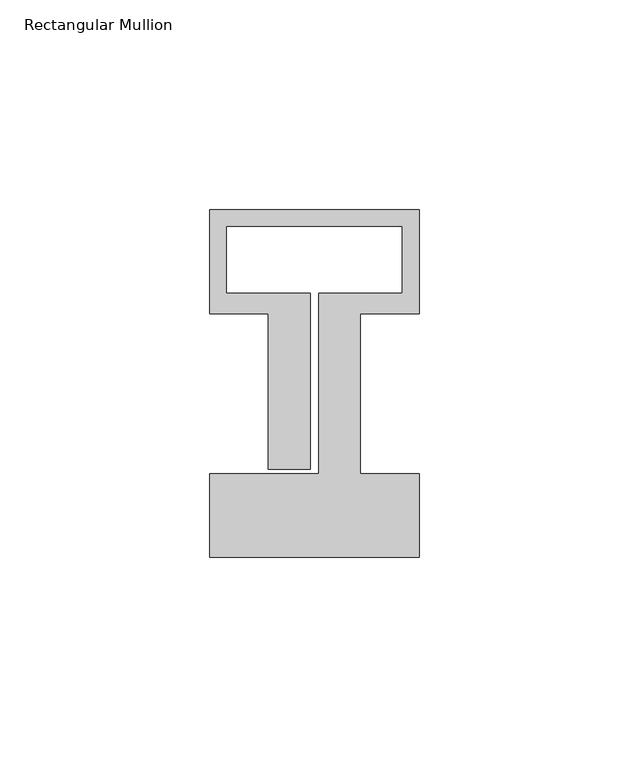
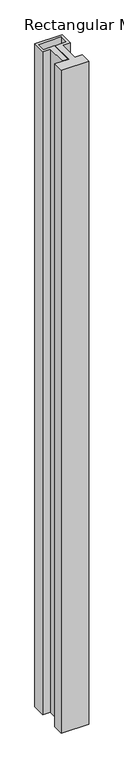
"""IFC4 building model written with IfcOpenShell, lengths in millimetres: member geometry, Rectangular Mullion."""

from ifc_helpers import new_model, si_unit, frame, origin, place, context, project, spatial, polyline, outline, extrude, source, transform, mapped, element, save


def rectangular_mullion_0871aabd(model_context):
    return source(origin(), model_context, "Body", "SweptSolid", [
        extrude(outline(polyline([(0.0, -58.0), (-50.0, -58.0), (-50.0, -38.0), (-24.0, -38.0), (-24.0, 5.0), (-4.0, 5.0), (-4.0, 21.0), (-46.0, 21.0), (-46.0, 5.0), (-26.0, 5.0), (-26.0, -37.0), (-36.0, -37.0), (-36.0, 0.1), (-50.0, 0.1), (-50.0, 25.0), (0.0, 25.0), (0.0, 0.1), (-14.0, 0.1), (-14.0, -38.0), (0.0, -38.0), (0.0, -58.0)])), frame((0.0, 0.0, -1278.5714288), z_axis=(0.0, 0.0, 1.0), x_axis=(1.0, 0.0, 0.0)), (0.0, 0.0, 1.0), 1278.5714288),
    ])


if __name__ == "__main__":
    model = new_model("IFC4")
    model_context = context("Model", 3, world=origin())
    ifc_project = project(units=[si_unit("LENGTHUNIT", "METRE", prefix="MILLI")], contexts=[model_context])
    site = spatial("IfcSite", under=ifc_project)
    building = spatial("IfcBuilding", under=site)
    placement = place(None, origin())
    rectangular_mullion_shape = rectangular_mullion_0871aabd(model_context)
    element("IfcMember", 1, ObjectType="Rectangular Mullion", at=placement, inside=building, context=model_context, shape_type="MappedRepresentation", body=[
        mapped(rectangular_mullion_shape, transform((0.0, 0.0, 0.0), x_axis=(1.0, 0.0, 0.0), y_axis=(0.0, 1.0, 0.0), z_axis=(0.0, 0.0, 1.0))),
    ])
    save(model, "model.ifc")
